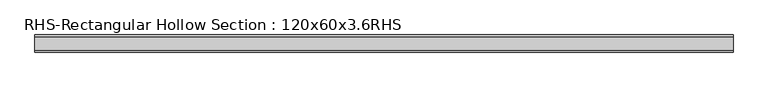
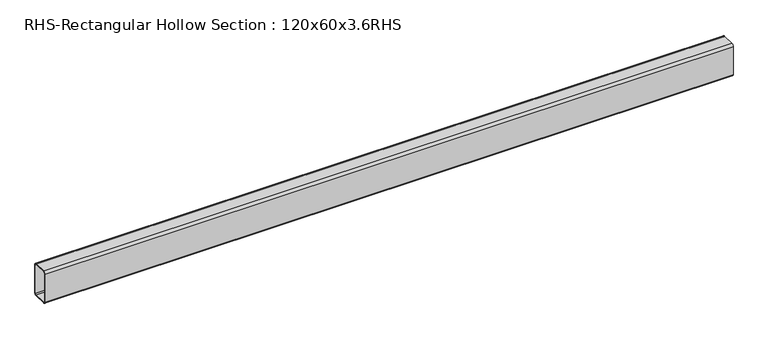
"""IFC4 building model written with IfcOpenShell, lengths in millimetres: beam geometry, RHS-Rectangular Hollow Section : 120x60x3.6RHS."""

from ifc_helpers import new_model, si_unit, point, frame, frame_2d, origin, place, context, project, spatial, polyline, circle_curve, trimmed, segment, composite_curve, outline, extrude, source, transform, mapped, element, save


def rhs_rectangular_hollow_section_120x60x3_6rhs_7d3d3d3d(model_context):
    return source(origin(), model_context, "Body", "SweptSolid", [
        extrude(outline(composite_curve([segment(polyline([(30.0, 52.8), (30.0, -52.8)]), True, "CONTINUOUS"), segment(trimmed(circle_curve(frame_2d((22.8, -52.8)), 7.2), [point((30.0, -52.8))], [point((22.8, -60.0))], False, "CARTESIAN"), True, "CONTINUOUS"), segment(polyline([(22.8, -60.0), (-22.8, -60.0)]), True, "CONTINUOUS"), segment(trimmed(circle_curve(frame_2d((-22.8, -52.8)), 7.2), [point((-22.8, -60.0))], [point((-30.0, -52.8))], False, "CARTESIAN"), True, "CONTINUOUS"), segment(polyline([(-30.0, -52.8), (-30.0, 52.8)]), True, "CONTINUOUS"), segment(trimmed(circle_curve(frame_2d((-22.8, 52.8)), 7.2), [point((-30.0, 52.8))], [point((-22.8, 60.0))], False, "CARTESIAN"), True, "CONTINUOUS"), segment(polyline([(-22.8, 60.0), (22.8, 60.0)]), True, "CONTINUOUS"), segment(trimmed(circle_curve(frame_2d((22.8, 52.8)), 7.2), [point((22.8, 60.0))], [point((30.0, 52.8))], False, "CARTESIAN"), True, "CONTINUOUS")], self_intersect=False), holes=[composite_curve([segment(trimmed(circle_curve(frame_2d((-22.8, 52.8)), 3.6), [point((-22.8, 56.4))], [point((-26.4, 52.8))], True, "CARTESIAN"), True, "CONTINUOUS"), segment(polyline([(-26.4, 52.8), (-26.4, -52.8)]), True, "CONTINUOUS"), segment(trimmed(circle_curve(frame_2d((-22.8, -52.8)), 3.6), [point((-26.4, -52.8))], [point((-22.8, -56.4))], True, "CARTESIAN"), True, "CONTINUOUS"), segment(polyline([(-22.8, -56.4), (22.8, -56.4)]), True, "CONTINUOUS"), segment(trimmed(circle_curve(frame_2d((22.8, -52.8)), 3.6), [point((22.8, -56.4))], [point((26.4, -52.8))], True, "CARTESIAN"), True, "CONTINUOUS"), segment(polyline([(26.4, -52.8), (26.4, 52.8)]), True, "CONTINUOUS"), segment(trimmed(circle_curve(frame_2d((22.8, 52.8)), 3.6), [point((26.4, 52.8))], [point((22.8, 56.4))], True, "CARTESIAN"), True, "CONTINUOUS"), segment(polyline([(22.8, 56.4), (-22.8, 56.4)]), True, "CONTINUOUS")], self_intersect=False)]), frame((-1136.8150003, 0.0, 0.0), z_axis=(1.0, 0.0, 0.0), x_axis=(0.0, 1.0, 0.0)), (0.0, 0.0, 1.0), 2442.680399),
    ])


if __name__ == "__main__":
    model = new_model("IFC4")
    model_context = context("Model", 3, world=origin())
    ifc_project = project(units=[si_unit("LENGTHUNIT", "METRE", prefix="MILLI")], contexts=[model_context])
    site = spatial("IfcSite", under=ifc_project)
    building = spatial("IfcBuilding", under=site)
    placement = place(None, origin())
    rhs_rectangular_hollow_section_120x60x3_6rhs_shape = rhs_rectangular_hollow_section_120x60x3_6rhs_7d3d3d3d(model_context)
    element("IfcBeam", 1, ObjectType="RHS-Rectangular Hollow Section : 120x60x3.6RHS", at=placement, inside=building, context=model_context, shape_type="MappedRepresentation", body=[
        mapped(rhs_rectangular_hollow_section_120x60x3_6rhs_shape, transform((0.0, 0.0, 0.0), x_axis=(1.0, 0.0, 0.0), y_axis=(0.0, 1.0, 0.0), z_axis=(0.0, 0.0, 1.0))),
    ])
    save(model, "model.ifc")
